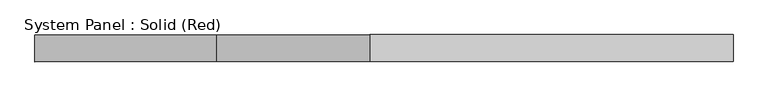
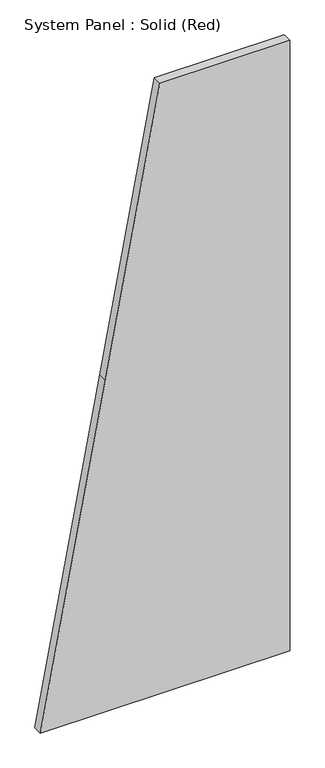
"""IFC4 building model written with IfcOpenShell, lengths in millimetres: plate geometry, System Panel : Solid (Red)."""

from ifc_helpers import new_model, si_unit, frame, origin, place, context, project, spatial, polyline, outline, extrude, source, transform, mapped, element, save


def system_panel_solid_red_fe50da2d(model_context):
    return source(origin(), model_context, "Body", "SweptSolid", [
        extrude(outline(polyline([(0.0, -824.088889), (0.0, -395.111111), (0.0, 824.088889), (4267.2, 824.088889), (4267.2, -33.8666668), (2316.4800016, -395.111111), (0.0, -824.088889)])), frame((0.0, -19.05, 0.0), z_axis=(0.0, 1.0, 0.0), x_axis=(0.0, 0.0, 1.0)), (0.0, 0.0, 1.0), 63.5),
    ])


if __name__ == "__main__":
    model = new_model("IFC4")
    model_context = context("Model", 3, world=origin())
    ifc_project = project(units=[si_unit("LENGTHUNIT", "METRE", prefix="MILLI")], contexts=[model_context])
    site = spatial("IfcSite", under=ifc_project)
    building = spatial("IfcBuilding", under=site)
    placement = place(None, origin())
    system_panel_solid_red_shape = system_panel_solid_red_fe50da2d(model_context)
    element("IfcPlate", 1, ObjectType="System Panel : Solid (Red)", at=placement, inside=building, context=model_context, shape_type="MappedRepresentation", body=[
        mapped(system_panel_solid_red_shape, transform((0.0, 0.0, 0.0), x_axis=(1.0, 0.0, 0.0), y_axis=(0.0, 1.0, 0.0), z_axis=(0.0, 0.0, 1.0))),
    ])
    save(model, "model.ifc")
